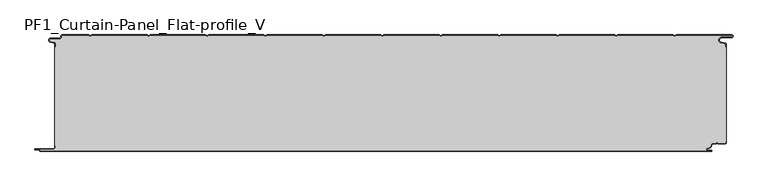
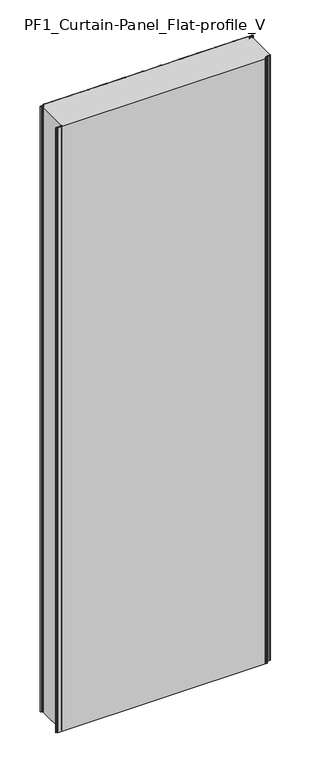
"""IFC4 building model written with IfcOpenShell, lengths in millimetres: plate geometry, PF1_Curtain-Panel_Flat-profile_V."""

from ifc_helpers import new_model, si_unit, point, frame_2d, origin, origin_with_axes, place, context, project, spatial, polyline, circle_curve, trimmed, segment, composite_curve, outline, extrude, source, transform, mapped, element, save


def pf1_curtain_panel_flat_profile_v_3ca6f6f4(model_context):
    return source(origin(), model_context, "Body", "SweptSolid", [
        extrude(outline(composite_curve([segment(trimmed(circle_curve(frame_2d((-577.0, -15.878557)), 2.0), [point((-575.0, -15.878557))], [point((-576.5500978, -13.9298169))], True, "CARTESIAN"), True, "CONTINUOUS"), segment(polyline([(-576.5500978, -13.9298169), (-582.7098239, -12.507732)]), True, "CONTINUOUS"), segment(trimmed(circle_curve(frame_2d((-581.9, -9.0)), 3.6), [point((-582.7098239, -12.507732))], [point((-581.9, -5.4))], False, "CARTESIAN"), True, "CONTINUOUS"), segment(polyline([(-581.9, -5.4), (-566.4, -5.4)]), True, "CONTINUOUS"), segment(trimmed(circle_curve(frame_2d((-566.4, -3.4)), 2.0), [point((-566.4, -5.4))], [point((-564.4, -3.4))], True, "CARTESIAN"), True, "CONTINUOUS"), segment(polyline([(-564.4, -3.4), (-564.4, -2.0)]), True, "CONTINUOUS"), segment(trimmed(circle_curve(frame_2d((-562.4, -2.0)), 2.0), [point((-564.4, -2.0))], [point((-562.4, 0.0))], False, "CARTESIAN"), True, "CONTINUOUS"), segment(polyline([(-562.4, 0.0), (-517.0999995, 0.0), (-514.4, -1.5588455), (-511.7000005, 0.0), (-417.0999995, 0.0), (-414.4, -1.5588455), (-411.7000005, 0.0), (-317.0999995, 0.0), (-314.4, -1.5588455), (-311.7000005, 0.0), (-217.0999995, 0.0), (-214.4, -1.5588455), (-211.7000005, 0.0), (-117.0999995, 0.0), (-114.4, -1.5588455), (-111.7000005, 0.0), (-17.0999995, 0.0), (-14.4, -1.5588455), (-11.7000005, 0.0), (82.9000005, 0.0), (85.6, -1.5588455), (88.2999995, 0.0), (182.9000005, 0.0), (185.6, -1.5588455), (188.2999995, 0.0), (282.9000005, 0.0), (285.6, -1.5588455), (288.2999995, 0.0), (382.9000005, 0.0), (385.6, -1.5588455), (388.2999995, 0.0), (482.9000005, 0.0), (485.6, -1.5588455), (488.2999995, 0.0), (583.268846, 0.0)]), True, "CONTINUOUS"), segment(trimmed(circle_curve(frame_2d((583.268846, -2.5)), 2.5), [point((583.268846, 0.0))], [point((583.268846, -5.0))], False, "CARTESIAN"), True, "CONTINUOUS"), segment(polyline([(583.268846, -5.0), (566.268846, -5.0)]), True, "CONTINUOUS"), segment(trimmed(circle_curve(frame_2d((566.268846, -9.0)), 4.0), [point((566.268846, -5.0))], [point((565.574253, -12.939231))], True, "CARTESIAN"), True, "CONTINUOUS"), segment(polyline([(565.574253, -12.939231), (572.0203315, -14.0758491)]), True, "CONTINUOUS"), segment(trimmed(circle_curve(frame_2d((571.568846, -16.6363492)), 2.6), [point((572.0203315, -14.0758491))], [point((574.168846, -16.6363492))], False, "CARTESIAN"), True, "CONTINUOUS"), segment(polyline([(574.168846, -16.6363492), (574.168846, -20.0), (573.368846, -20.0), (573.368846, -16.6363492)]), True, "CONTINUOUS"), segment(trimmed(circle_curve(frame_2d((571.568846, -16.6363492)), 1.8), [point((573.368846, -16.6363492))], [point((571.8814129, -14.8636953))], True, "CARTESIAN"), True, "CONTINUOUS"), segment(polyline([(571.8814129, -14.8636953), (565.4353344, -13.7270772)]), True, "CONTINUOUS"), segment(trimmed(circle_curve(frame_2d((566.268846, -9.0)), 4.8), [point((565.4353344, -13.7270772))], [point((566.268846, -4.2))], False, "CARTESIAN"), True, "CONTINUOUS"), segment(polyline([(566.268846, -4.2), (583.268846, -4.2)]), True, "CONTINUOUS"), segment(trimmed(circle_curve(frame_2d((583.268846, -2.5)), 1.7), [point((583.268846, -4.2))], [point((583.268846, -0.8))], True, "CARTESIAN"), True, "CONTINUOUS"), segment(polyline([(583.268846, -0.8), (488.5143588, -0.8), (485.6, -2.482606), (482.6856412, -0.8), (388.5143588, -0.8), (385.6, -2.482606), (382.6856412, -0.8), (288.5143588, -0.8), (285.6, -2.482606), (282.6856412, -0.8), (188.5143588, -0.8), (185.6, -2.482606), (182.6856412, -0.8), (88.5143588, -0.8), (85.6, -2.482606), (82.6856412, -0.8), (-11.4856412, -0.8), (-14.4, -2.482606), (-17.3143588, -0.8), (-111.4856412, -0.8), (-114.4, -2.482606), (-117.3143588, -0.8), (-211.4856412, -0.8), (-214.4, -2.482606), (-217.3143588, -0.8), (-311.4856412, -0.8), (-314.4, -2.482606), (-317.3143588, -0.8), (-411.4856412, -0.8), (-414.4, -2.482606), (-417.3143588, -0.8), (-511.4856412, -0.8), (-514.4, -2.482606), (-517.3143588, -0.8), (-562.4, -0.8)]), True, "CONTINUOUS"), segment(trimmed(circle_curve(frame_2d((-562.4, -2.0)), 1.2), [point((-562.4, -0.8))], [point((-563.6, -2.0))], True, "CARTESIAN"), True, "CONTINUOUS"), segment(polyline([(-563.6, -2.0), (-563.6, -3.4)]), True, "CONTINUOUS"), segment(trimmed(circle_curve(frame_2d((-566.4, -3.4)), 2.8), [point((-563.6, -3.4))], [point((-566.4, -6.2))], False, "CARTESIAN"), True, "CONTINUOUS"), segment(polyline([(-566.4, -6.2), (-581.9, -6.2)]), True, "CONTINUOUS"), segment(trimmed(circle_curve(frame_2d((-581.9, -9.0)), 2.8), [point((-581.9, -6.2))], [point((-582.529863, -11.7282362))], True, "CARTESIAN"), True, "CONTINUOUS"), segment(polyline([(-582.529863, -11.7282362), (-576.370137, -13.150321)]), True, "CONTINUOUS"), segment(trimmed(circle_curve(frame_2d((-577.0, -15.878557)), 2.8), [point((-576.370137, -13.150321))], [point((-574.2, -15.878557))], False, "CARTESIAN"), True, "CONTINUOUS"), segment(polyline([(-574.2, -15.878557), (-574.2, -20.0), (-575.0, -20.0), (-575.0, -15.878557)]), True, "CONTINUOUS")], self_intersect=False)), origin_with_axes(), (0.0, 0.0, 1.0), 3500.0),
        extrude(outline(composite_curve([segment(polyline([(-574.2, -190.0), (-575.0, -190.0), (-575.0, -20.0), (-574.2, -20.0), (-574.2, -15.878557)]), True, "CONTINUOUS"), segment(trimmed(circle_curve(frame_2d((-577.0, -15.878557)), 2.8), [point((-574.2, -15.878557))], [point((-576.370137, -13.1503208))], True, "CARTESIAN"), True, "CONTINUOUS"), segment(polyline([(-576.370137, -13.1503208), (-582.529863, -11.7282362)]), True, "CONTINUOUS"), segment(trimmed(circle_curve(frame_2d((-581.9, -9.0)), 2.8), [point((-582.529863, -11.7282362))], [point((-581.9, -6.2))], False, "CARTESIAN"), True, "CONTINUOUS"), segment(polyline([(-581.9, -6.2), (-566.4, -6.2)]), True, "CONTINUOUS"), segment(trimmed(circle_curve(frame_2d((-566.4, -3.4)), 2.8), [point((-566.4, -6.2))], [point((-563.6, -3.4))], True, "CARTESIAN"), True, "CONTINUOUS"), segment(polyline([(-563.6, -3.4), (-563.6, -2.0)]), True, "CONTINUOUS"), segment(trimmed(circle_curve(frame_2d((-562.4, -2.0)), 1.2), [point((-563.6, -2.0))], [point((-562.4, -0.8))], False, "CARTESIAN"), True, "CONTINUOUS"), segment(polyline([(-562.4, -0.8), (-517.3143588, -0.8), (-514.4, -2.482606), (-511.4856412, -0.8), (-417.3143588, -0.8), (-414.4, -2.482606), (-411.4856412, -0.8), (-317.3143588, -0.8), (-314.4, -2.482606), (-311.4856412, -0.8), (-217.3143588, -0.8), (-214.4, -2.482606), (-211.4856412, -0.8), (-117.3143588, -0.8), (-114.4, -2.482606), (-111.4856412, -0.8), (-17.3143588, -0.8), (-14.4, -2.482606), (-11.4856412, -0.8), (82.6856412, -0.8), (85.6, -2.482606), (88.5143588, -0.8), (182.6856412, -0.8), (185.6, -2.482606), (188.5143588, -0.8), (282.6856412, -0.8), (285.6, -2.482606), (288.5143588, -0.8), (382.6856412, -0.8), (385.6, -2.482606), (388.5143588, -0.8), (482.6856412, -0.8), (485.6, -2.482606), (488.5143588, -0.8), (583.268846, -0.8)]), True, "CONTINUOUS"), segment(trimmed(circle_curve(frame_2d((583.268846, -2.5)), 1.7), [point((583.268846, -0.8))], [point((583.268846, -4.2))], False, "CARTESIAN"), True, "CONTINUOUS"), segment(polyline([(583.268846, -4.2), (566.268846, -4.2)]), True, "CONTINUOUS"), segment(trimmed(circle_curve(frame_2d((566.268846, -9.0)), 4.8), [point((566.268846, -4.2))], [point((565.4353344, -13.7270772))], True, "CARTESIAN"), True, "CONTINUOUS"), segment(polyline([(565.4353344, -13.7270772), (571.8814129, -14.8636953)]), True, "CONTINUOUS"), segment(trimmed(circle_curve(frame_2d((571.568846, -16.6363492)), 1.8), [point((571.8814129, -14.8636953))], [point((573.368846, -16.6363492))], False, "CARTESIAN"), True, "CONTINUOUS"), segment(polyline([(573.368846, -16.6363492), (573.368846, -20.0), (574.168846, -20.0), (574.168846, -183.0), (573.368846, -183.0), (573.368846, -184.4)]), True, "CONTINUOUS"), segment(trimmed(circle_curve(frame_2d((571.568846, -184.4)), 1.8), [point((573.368846, -184.4))], [point((571.568846, -186.2))], False, "CARTESIAN"), True, "CONTINUOUS"), segment(polyline([(571.568846, -186.2), (560.0002158, -186.2), (558.168846, -184.3686285), (556.3374762, -186.2), (550.168846, -186.2)]), True, "CONTINUOUS"), segment(trimmed(circle_curve(frame_2d((550.168846, -188.0)), 1.8), [point((550.168846, -186.2))], [point((548.368846, -188.0))], True, "CARTESIAN"), True, "CONTINUOUS"), segment(polyline([(548.368846, -188.0), (548.368846, -188.8276204)]), True, "CONTINUOUS"), segment(trimmed(circle_curve(frame_2d((542.9964664, -188.8276204)), 5.3723796), [point((548.368846, -188.8276204))], [point((542.9964664, -194.2))], False, "CARTESIAN"), True, "CONTINUOUS"), segment(polyline([(542.9964664, -194.2), (542.168846, -194.2)]), True, "CONTINUOUS"), segment(trimmed(circle_curve(frame_2d((542.168846, -196.4)), 2.2), [point((542.168846, -194.2))], [point((542.168846, -198.6))], True, "CARTESIAN"), True, "CONTINUOUS"), segment(polyline([(542.168846, -198.6), (548.0579973, -198.6)]), True, "CONTINUOUS"), segment(trimmed(circle_curve(frame_2d((548.0579973, -198.9)), 0.3), [point((548.0579973, -198.6))], [point((548.0579973, -199.2))], False, "CARTESIAN"), True, "CONTINUOUS"), segment(polyline([(548.0579973, -199.2), (-599.4, -199.2)]), True, "CONTINUOUS"), segment(trimmed(circle_curve(frame_2d((-599.4, -198.4)), 0.8), [point((-599.4, -199.2))], [point((-600.2, -198.4))], False, "CARTESIAN"), True, "CONTINUOUS"), segment(trimmed(circle_curve(frame_2d((-601.9, -198.6133333)), 1.7133333), [point((-600.2, -198.4))], [point((-601.9, -196.9))], True, "CARTESIAN"), True, "CONTINUOUS"), segment(polyline([(-601.9, -196.9), (-607.8700312, -196.9)]), True, "CONTINUOUS"), segment(trimmed(circle_curve(frame_2d((-607.8700312, -196.6)), 0.3), [point((-607.8700312, -196.9))], [point((-607.8700312, -196.3))], False, "CARTESIAN"), True, "CONTINUOUS"), segment(polyline([(-607.8700312, -196.3), (-577.0, -196.3)]), True, "CONTINUOUS"), segment(trimmed(circle_curve(frame_2d((-577.0, -193.5)), 2.8), [point((-577.0, -196.3))], [point((-574.2, -193.5))], True, "CARTESIAN"), True, "CONTINUOUS"), segment(polyline([(-574.2, -193.5), (-574.2, -190.0)]), True, "CONTINUOUS")], self_intersect=False)), origin_with_axes(), (0.0, 0.0, 1.0), 3500.0),
        extrude(outline(composite_curve([segment(polyline([(-575.0, -190.0), (-574.2, -190.0), (-574.2, -193.5)]), True, "CONTINUOUS"), segment(trimmed(circle_curve(frame_2d((-577.0, -193.5)), 2.8), [point((-574.2, -193.5))], [point((-577.0, -196.3))], False, "CARTESIAN"), True, "CONTINUOUS"), segment(polyline([(-577.0, -196.3), (-607.8700312, -196.3)]), True, "CONTINUOUS"), segment(trimmed(circle_curve(frame_2d((-607.8700312, -196.6)), 0.3), [point((-607.8700312, -196.3))], [point((-607.8700312, -196.9))], True, "CARTESIAN"), True, "CONTINUOUS"), segment(polyline([(-607.8700312, -196.9), (-601.9, -196.9)]), True, "CONTINUOUS"), segment(trimmed(circle_curve(frame_2d((-601.9, -198.6133333)), 1.7133333), [point((-601.9, -196.9))], [point((-600.2, -198.4))], False, "CARTESIAN"), True, "CONTINUOUS"), segment(trimmed(circle_curve(frame_2d((-599.4, -198.4)), 0.8), [point((-600.2, -198.4))], [point((-599.4, -199.2))], True, "CARTESIAN"), True, "CONTINUOUS"), segment(polyline([(-599.4, -199.2), (548.0579973, -199.2)]), True, "CONTINUOUS"), segment(trimmed(circle_curve(frame_2d((548.0579973, -198.9)), 0.3), [point((548.0579973, -199.2))], [point((548.0579973, -198.6))], True, "CARTESIAN"), True, "CONTINUOUS"), segment(polyline([(548.0579973, -198.6), (542.168846, -198.6)]), True, "CONTINUOUS"), segment(trimmed(circle_curve(frame_2d((542.168846, -196.4)), 2.2), [point((542.168846, -198.6))], [point((542.168846, -194.2))], False, "CARTESIAN"), True, "CONTINUOUS"), segment(polyline([(542.168846, -194.2), (542.9964664, -194.2)]), True, "CONTINUOUS"), segment(trimmed(circle_curve(frame_2d((542.9964664, -188.8276204)), 5.3723796), [point((542.9964664, -194.2))], [point((548.368846, -188.8276204))], True, "CARTESIAN"), True, "CONTINUOUS"), segment(polyline([(548.368846, -188.8276204), (548.368846, -188.0)]), True, "CONTINUOUS"), segment(trimmed(circle_curve(frame_2d((550.168846, -188.0)), 1.8), [point((548.368846, -188.0))], [point((550.168846, -186.2))], False, "CARTESIAN"), True, "CONTINUOUS"), segment(polyline([(550.168846, -186.2), (556.3374762, -186.2), (558.168846, -184.3686285), (560.0002158, -186.2), (571.568846, -186.2)]), True, "CONTINUOUS"), segment(trimmed(circle_curve(frame_2d((571.568846, -184.4)), 1.8), [point((571.568846, -186.2))], [point((573.368846, -184.4))], True, "CARTESIAN"), True, "CONTINUOUS"), segment(polyline([(573.368846, -184.4), (573.368846, -183.0), (574.168846, -183.0), (574.168846, -184.4)]), True, "CONTINUOUS"), segment(trimmed(circle_curve(frame_2d((571.568846, -184.4)), 2.6), [point((574.168846, -184.4))], [point((571.568846, -187.0))], False, "CARTESIAN"), True, "CONTINUOUS"), segment(polyline([(571.568846, -187.0), (559.6688448, -187.0), (558.168846, -185.4999999), (556.6688472, -187.0), (550.168846, -187.0)]), True, "CONTINUOUS"), segment(trimmed(circle_curve(frame_2d((550.168846, -188.0)), 1.0), [point((550.168846, -187.0))], [point((549.168846, -188.0))], True, "CARTESIAN"), True, "CONTINUOUS"), segment(polyline([(549.168846, -188.0), (549.168846, -188.8276204)]), True, "CONTINUOUS"), segment(trimmed(circle_curve(frame_2d((542.9964664, -188.8276204)), 6.1723796), [point((549.168846, -188.8276204))], [point((542.9964664, -195.0))], False, "CARTESIAN"), True, "CONTINUOUS"), segment(polyline([(542.9964664, -195.0), (542.168846, -195.0)]), True, "CONTINUOUS"), segment(trimmed(circle_curve(frame_2d((542.168846, -196.5)), 1.5), [point((542.168846, -195.0))], [point((542.168846, -198.0))], True, "CARTESIAN"), True, "CONTINUOUS"), segment(polyline([(542.168846, -198.0), (548.168846, -198.0)]), True, "CONTINUOUS"), segment(trimmed(circle_curve(frame_2d((548.168846, -199.0)), 1.0), [point((548.168846, -198.0))], [point((548.168846, -200.0))], False, "CARTESIAN"), True, "CONTINUOUS"), segment(polyline([(548.168846, -200.0), (-599.4, -200.0)]), True, "CONTINUOUS"), segment(trimmed(circle_curve(frame_2d((-599.4, -198.4)), 1.6), [point((-599.4, -200.0))], [point((-601.0, -198.4))], False, "CARTESIAN"), True, "CONTINUOUS"), segment(trimmed(circle_curve(frame_2d((-601.9, -198.4)), 0.9), [point((-601.0, -198.4))], [point((-601.9, -197.5))], True, "CARTESIAN"), True, "CONTINUOUS"), segment(polyline([(-601.9, -197.5), (-608.0, -197.5)]), True, "CONTINUOUS"), segment(trimmed(circle_curve(frame_2d((-608.0, -196.5)), 1.0), [point((-608.0, -197.5))], [point((-608.0, -195.5))], False, "CARTESIAN"), True, "CONTINUOUS"), segment(polyline([(-608.0, -195.5), (-577.0, -195.5)]), True, "CONTINUOUS"), segment(trimmed(circle_curve(frame_2d((-577.0, -193.5)), 2.0), [point((-577.0, -195.5))], [point((-575.0, -193.5))], True, "CARTESIAN"), True, "CONTINUOUS"), segment(polyline([(-575.0, -193.5), (-575.0, -190.0)]), True, "CONTINUOUS")], self_intersect=False)), origin_with_axes(), (0.0, 0.0, 1.0), 3500.0),
    ])


if __name__ == "__main__":
    model = new_model("IFC4")
    model_context = context("Model", 3, world=origin())
    ifc_project = project(units=[si_unit("LENGTHUNIT", "METRE", prefix="MILLI")], contexts=[model_context])
    site = spatial("IfcSite", under=ifc_project)
    building = spatial("IfcBuilding", under=site)
    placement = place(None, origin())
    pf1_curtain_panel_flat_profile_v_shape = pf1_curtain_panel_flat_profile_v_3ca6f6f4(model_context)
    element("IfcPlate", 1, ObjectType="PF1_Curtain-Panel_Flat-profile_V", at=placement, inside=building, context=model_context, shape_type="MappedRepresentation", body=[
        mapped(pf1_curtain_panel_flat_profile_v_shape, transform((0.0, 0.0, 0.0), x_axis=(1.0, 0.0, 0.0), y_axis=(0.0, 1.0, 0.0), z_axis=(0.0, 0.0, 1.0))),
    ])
    save(model, "model.ifc")
